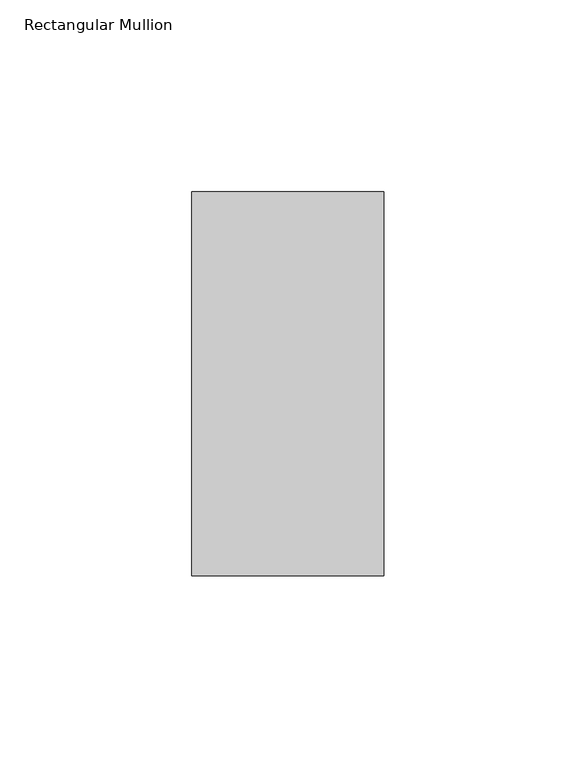
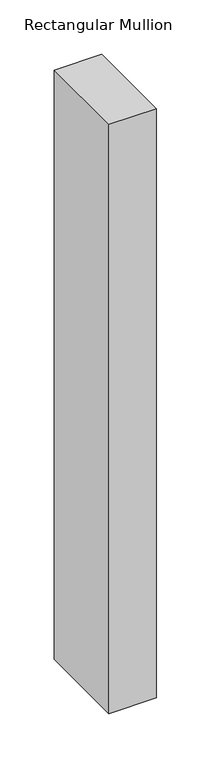
"""IFC4 building model written with IfcOpenShell, lengths in millimetres: member geometry, Rectangular Mullion."""

import ifcopenshell
import ifcopenshell.guid

model = None  # the IFC model being written
_history = None  # IfcOwnerHistory: only IFC2X3 demands one
_inside = {}  # id of a spatial element -> (the spatial element, [elements in it])
_under = {}  # id of a project, library or spatial element -> (it, [spatial elements below it])
_declared = {}  # id of a project -> (the project, [libraries it declares])
_typed = {}  # id of a type object -> (the type object, [elements of that type])
_made_of = {}  # id of a material, layer set ... -> (it, [elements and type objects made of it])


def new_model(schema):
    """Start an empty IFC model of exactly this schema.

    Asked for "IFC4X3", IfcOpenShell would pick the latest addendum, in which some entities
    have other attributes; the version numbers below select the first issue.
    IFC2X3 requires an IfcOwnerHistory on every rooted entity: one is made here for all.
    """
    global model, _history
    if schema == "IFC4X3":
        model = ifcopenshell.file(schema_version=(4, 3, 0, 0))
    else:
        model = ifcopenshell.file(schema=schema)
    _inside.clear()
    _under.clear()
    _declared.clear()
    _typed.clear()
    _made_of.clear()
    _history = None
    if model.schema == "IFC2X3":
        org = make("IfcOrganization", Name="unknown")
        user = make(
            "IfcPersonAndOrganization",
            ThePerson=make("IfcPerson", FamilyName="unknown"),
            TheOrganization=org,
        )
        app = make(
            "IfcApplication",
            ApplicationDeveloper=org,
            Version="unknown",
            ApplicationFullName="unknown",
            ApplicationIdentifier="unknown",
        )
        _history = make(
            "IfcOwnerHistory",
            OwningUser=user,
            OwningApplication=app,
            ChangeAction="ADDED",
            CreationDate=0,
        )
    return model


def make(cls, **values):
    """One entity of the class cls with the attributes given. An attribute that is None is left unset."""
    return model.create_entity(
        cls, **{name: value for name, value in values.items() if value is not None}
    )


def rooted(cls, **values):
    """An entity with a GlobalId (a new one), such as an element, a storey or a relation."""
    return make(cls, GlobalId=ifcopenshell.guid.new(), OwnerHistory=_history, **values)


def si_unit(unit_type, name, prefix=None):
    """IfcSIUnit, for example si_unit("LENGTHUNIT", "METRE", prefix="MILLI")."""
    return make("IfcSIUnit", UnitType=unit_type, Prefix=prefix, Name=name)


def assignment(units):
    """IfcUnitAssignment: the units of a project."""
    return None if units is None else make("IfcUnitAssignment", Units=units)


def point(xyz):
    """IfcCartesianPoint."""
    return None if xyz is None else make("IfcCartesianPoint", Coordinates=xyz)


def direction(xyz):
    """IfcDirection."""
    return None if xyz is None else make("IfcDirection", DirectionRatios=xyz)


def frame(location, z_axis=None, x_axis=None):
    """IfcAxis2Placement3D, a coordinate frame: its origin and axes. An axis left out is left unset."""
    return make(
        "IfcAxis2Placement3D",
        Location=point(location),
        Axis=direction(z_axis),
        RefDirection=direction(x_axis),
    )


def origin():
    """The frame at (0, 0, 0) with its axes left unset."""
    return frame((0.0, 0.0, 0.0))


def place(relative_to, where):
    """IfcLocalPlacement: puts the frame where relative to a parent placement (None: the world)."""
    return make(
        "IfcLocalPlacement", PlacementRelTo=relative_to, RelativePlacement=where
    )


def context(
    kind, dimensions, precision=None, world=None, true_north=None, identifier=None
):
    """IfcGeometricRepresentationContext, for example the 3D "Model" context."""
    return make(
        "IfcGeometricRepresentationContext",
        ContextIdentifier=identifier,
        ContextType=kind,
        CoordinateSpaceDimension=dimensions,
        Precision=precision,
        WorldCoordinateSystem=world,
        TrueNorth=true_north,
    )


def project(units=None, contexts=None):
    """IfcProject with its units and contexts."""
    return rooted(
        "IfcProject",
        Name="project",
        RepresentationContexts=contexts,
        UnitsInContext=assignment(units),
    )


def spatial(cls, under=None, at=None, **own):
    """A site, building, storey or space (cls), placed at a placement, below another one or the project."""
    s = rooted(cls, ObjectPlacement=at, **own)
    if under is not None:
        _under.setdefault(under.id(), (under, []))[1].append(s)
    return s


def polyline(points):
    """IfcPolyline through the points."""
    return make("IfcPolyline", Points=[point(p) for p in points])


def outline(outer, holes=None, kind="AREA"):
    """IfcArbitraryClosedProfileDef: a profile drawn as a closed curve; with holes, ...WithVoids."""
    if holes is None:
        return make("IfcArbitraryClosedProfileDef", ProfileType=kind, OuterCurve=outer)
    return make(
        "IfcArbitraryProfileDefWithVoids",
        ProfileType=kind,
        OuterCurve=outer,
        InnerCurves=holes,
    )


def extrude(swept, where, along, depth):
    """IfcExtrudedAreaSolid: the profile swept, set in the frame where, extruded along a direction by depth."""
    return make(
        "IfcExtrudedAreaSolid",
        SweptArea=swept,
        Position=where,
        ExtrudedDirection=direction(along),
        Depth=depth,
    )


def shape(context_of_items, identifier, shape_type, items):
    """IfcShapeRepresentation: the items that make up one representation, for example the "Body"."""
    return make(
        "IfcShapeRepresentation",
        ContextOfItems=context_of_items,
        RepresentationIdentifier=identifier,
        RepresentationType=shape_type,
        Items=items,
    )


def source(mapping_origin, context_of_items, identifier, shape_type, items):
    """IfcRepresentationMap: a shape defined once, which mapped items show again and again."""
    return make(
        "IfcRepresentationMap",
        MappingOrigin=mapping_origin,
        MappedRepresentation=shape(context_of_items, identifier, shape_type, items),
    )


def transform(
    local_origin,
    x_axis=None,
    y_axis=None,
    z_axis=None,
    scale=None,
    scale2=None,
    scale3=None,
    uniform=True,
):
    """IfcCartesianTransformationOperator3D, or its non-uniform kind. x_axis, y_axis, z_axis: its Axis1, 2, 3."""
    if uniform:
        return make(
            "IfcCartesianTransformationOperator3D",
            Axis1=direction(x_axis),
            Axis2=direction(y_axis),
            LocalOrigin=point(local_origin),
            Scale=scale,
            Axis3=direction(z_axis),
        )
    return make(
        "IfcCartesianTransformationOperator3DnonUniform",
        Axis1=direction(x_axis),
        Axis2=direction(y_axis),
        LocalOrigin=point(local_origin),
        Scale=scale,
        Axis3=direction(z_axis),
        Scale2=scale2,
        Scale3=scale3,
    )


def mapped(mapping_source, mapping_target):
    """IfcMappedItem: shows the shape of a source again, moved by a transform."""
    return make(
        "IfcMappedItem", MappingSource=mapping_source, MappingTarget=mapping_target
    )


def made_of(thing, what):
    """Note that an element or type object is made of a material, layer set ...; save() writes the relation."""
    if what is not None:
        _made_of.setdefault(what.id(), (what, []))[1].append(thing)
    return thing


def element(
    cls,
    number,
    at=None,
    inside=None,
    cuts=None,
    type_object=None,
    material=None,
    context=None,
    identifier="Body",
    shape_type=None,
    held_by="IfcProductDefinitionShape",
    body=None,
    shapes=None,
    **own,
):
    """One element of the class cls, such as IfcWall. Its Tag is "e" and its number.

    at: its placement. inside: the storey or other place that contains it. cuts: it is an
    opening in that element (IfcRelVoidsElement). A single representation is given by context,
    identifier, shape_type and body (its items); several are given by shapes. held_by: the class
    of the entity that holds the representations. save() writes the other relations.
    """
    e = rooted(cls, Tag="e%d" % number, ObjectPlacement=at, **own)
    if body is not None:
        shapes = [shape(context, identifier, shape_type, body)]
    if shapes is not None:
        e.Representation = make(held_by, Representations=shapes)
    if inside is not None:
        _inside.setdefault(inside.id(), (inside, []))[1].append(e)
    if cuts is not None:
        rooted(
            "IfcRelVoidsElement", RelatingBuildingElement=cuts, RelatedOpeningElement=e
        )
    if type_object is not None:
        _typed.setdefault(type_object.id(), (type_object, []))[1].append(e)
    return made_of(e, material)


def aggregate(whole, parts):
    """IfcRelAggregates: a whole, such as a stair, and the parts it consists of."""
    return rooted("IfcRelAggregates", RelatingObject=whole, RelatedObjects=parts)


def save(model, path):
    """Write the relations noted so far, then the file.

    IfcRelAggregates (storeys below a building ...), IfcRelContainedInSpatialStructure (elements
    in a storey), IfcRelDefinesByType, IfcRelAssociatesMaterial and IfcRelDeclares: one each for
    every whole, place, type object, material and project.
    """
    for whole, parts in _under.values():
        aggregate(whole, parts)
    for where, things in _inside.values():
        rooted(
            "IfcRelContainedInSpatialStructure",
            RelatedElements=things,
            RelatingStructure=where,
        )
    for kind, things in _typed.values():
        rooted("IfcRelDefinesByType", RelatedObjects=things, RelatingType=kind)
    for what, things in _made_of.values():
        rooted("IfcRelAssociatesMaterial", RelatedObjects=things, RelatingMaterial=what)
    for by, libraries in _declared.values():
        rooted("IfcRelDeclares", RelatingContext=by, RelatedDefinitions=libraries)
    model.write(path)


def rectangular_mullion_59cf0900(model_context):
    return source(origin(), model_context, "Body", "SweptSolid", [
        extrude(outline(polyline([(25.0, 69.0), (25.0, -31.0), (-25.0, -31.0), (-25.0, 69.0), (25.0, 69.0)])), frame((0.0, 0.0, -660.0), z_axis=(0.0, 0.0, 1.0), x_axis=(1.0, 0.0, 0.0)), (0.0, 0.0, 1.0), 660.0),
    ])


if __name__ == "__main__":
    model = new_model("IFC4")
    model_context = context("Model", 3, world=origin())
    ifc_project = project(units=[si_unit("LENGTHUNIT", "METRE", prefix="MILLI")], contexts=[model_context])
    site = spatial("IfcSite", under=ifc_project)
    building = spatial("IfcBuilding", under=site)
    placement = place(None, origin())
    rectangular_mullion_shape = rectangular_mullion_59cf0900(model_context)
    element("IfcMember", 1, ObjectType="Rectangular Mullion", at=placement, inside=building, context=model_context, shape_type="MappedRepresentation", body=[
        mapped(rectangular_mullion_shape, transform((0.0, 0.0, 0.0), x_axis=(1.0, 0.0, 0.0), y_axis=(0.0, 1.0, 0.0), z_axis=(0.0, 0.0, 1.0))),
    ])
    save(model, "model.ifc")
